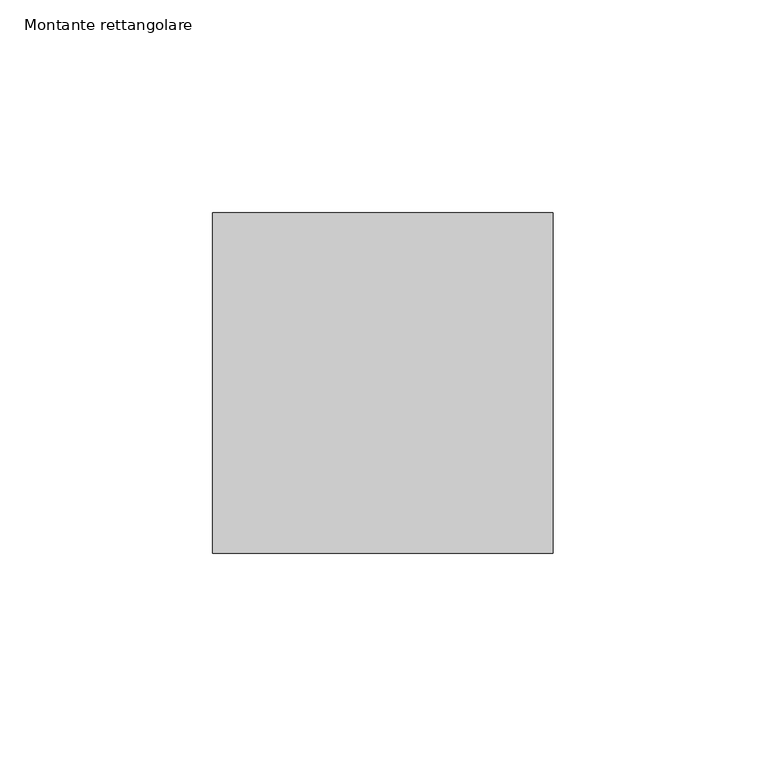
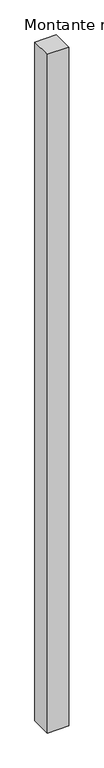
"""IFC4 building model written with IfcOpenShell, lengths in millimetres: member geometry, Montante rettangolare."""

from ifc_helpers import new_model, si_unit, frame, origin, place, context, project, spatial, polyline, outline, extrude, source, transform, mapped, element, save


def montante_rettangolare_3b4876f0(model_context):
    return source(origin(), model_context, "Body", "SweptSolid", [
        extrude(outline(polyline([(0.0, 40.0), (0.0, -40.0), (-80.0, -40.0), (-80.0, 40.0), (0.0, 40.0)])), frame((0.0, 0.0, -2660.0), z_axis=(0.0, 0.0, 1.0), x_axis=(1.0, 0.0, 0.0)), (0.0, 0.0, 1.0), 2660.0),
    ])


if __name__ == "__main__":
    model = new_model("IFC4")
    model_context = context("Model", 3, world=origin())
    ifc_project = project(units=[si_unit("LENGTHUNIT", "METRE", prefix="MILLI")], contexts=[model_context])
    site = spatial("IfcSite", under=ifc_project)
    building = spatial("IfcBuilding", under=site)
    placement = place(None, origin())
    montante_rettangolare_shape = montante_rettangolare_3b4876f0(model_context)
    element("IfcMember", 1, ObjectType="Montante rettangolare", at=placement, inside=building, context=model_context, shape_type="MappedRepresentation", body=[
        mapped(montante_rettangolare_shape, transform((0.0, 0.0, 0.0), x_axis=(1.0, 0.0, 0.0), y_axis=(0.0, 1.0, 0.0), z_axis=(0.0, 0.0, 1.0))),
    ])
    save(model, "model.ifc")
